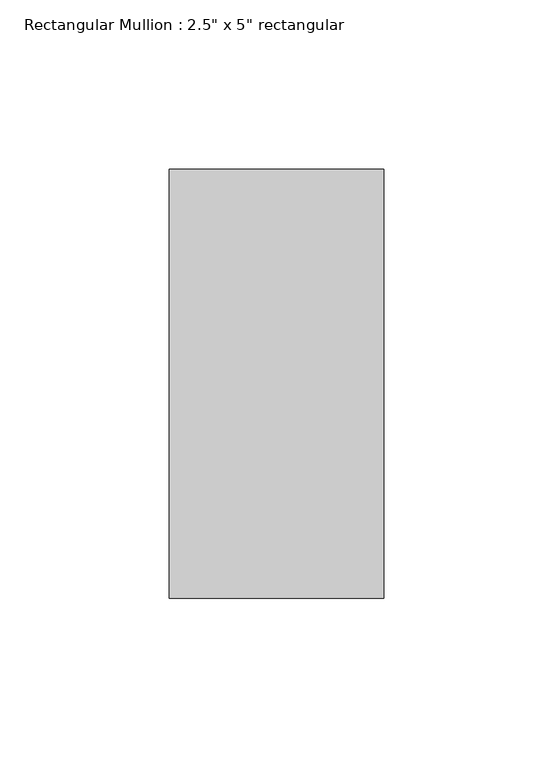
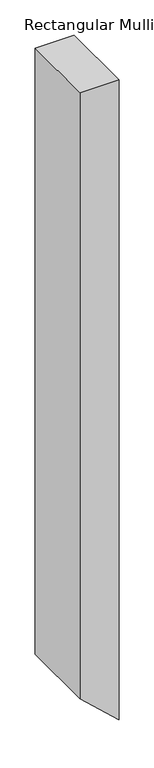
"""IFC4 building model written with IfcOpenShell, lengths in millimetres: member geometry."""

from ifc_helpers import new_model, si_unit, frame, origin, place, context, project, spatial, polyline, outline, extrude, source, transform, mapped, element, save


def member_723c4f07(model_context):
    return source(origin(), model_context, "Body", "SweptSolid", [
        extrude(outline(polyline([(0.0, 0.0), (0.0, -63.5), (-1046.3093042, -63.5), (-1104.9899206, 0.0), (0.0, 0.0)])), frame((0.0, -63.5, 0.0), z_axis=(0.0, 1.0, 0.0), x_axis=(0.0, 0.0, 1.0)), (0.0, 0.0, 1.0), 127.0),
    ])


if __name__ == "__main__":
    model = new_model("IFC4")
    model_context = context("Model", 3, world=origin())
    ifc_project = project(units=[si_unit("LENGTHUNIT", "METRE", prefix="MILLI")], contexts=[model_context])
    site = spatial("IfcSite", under=ifc_project)
    building = spatial("IfcBuilding", under=site)
    placement = place(None, origin())
    member_shape = member_723c4f07(model_context)
    element("IfcMember", 1, ObjectType="Rectangular Mullion : 2.5\" x 5\" rectangular", at=placement, inside=building, context=model_context, shape_type="MappedRepresentation", body=[
        mapped(member_shape, transform((0.0, 0.0, 0.0), x_axis=(1.0, 0.0, 0.0), y_axis=(0.0, 1.0, 0.0), z_axis=(0.0, 0.0, 1.0))),
    ])
    save(model, "model.ifc")
